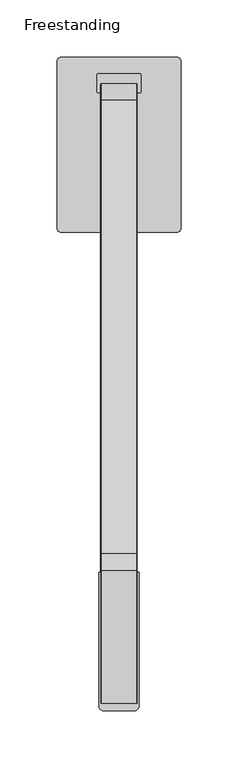
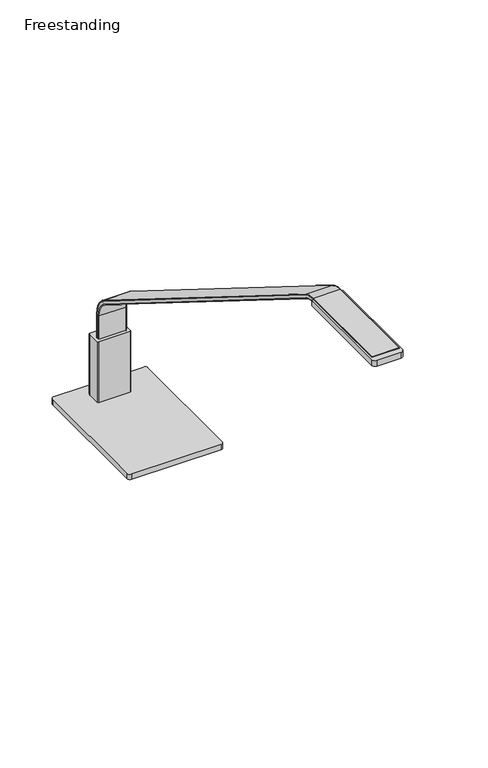
"""IFC4 building model written with IfcOpenShell, lengths in millimetres: furniture geometry, Freestanding."""

from ifc_helpers import new_model, si_unit, point, frame, frame_2d, origin, place, context, project, spatial, polyline, circle_curve, ellipse_curve, trimmed, segment, composite_curve, outline, extrude, source, transform, mapped, element, save
from ifc_brep_helpers import plane_surface, cylinder_surface, revolved_surface, advanced_brep


def freestanding_bb0d4ba0(model_context):
    return source(origin(), model_context, "Body", "SolidModel", [
        extrude(outline(composite_curve([segment(trimmed(circle_curve(frame_2d((-41.2113861, 31.553418)), 6.35), [point((-47.5613861, 31.553418))], [point((-34.8613861, 31.553418))], False, "CARTESIAN"), True, "CONTINUOUS"), segment(trimmed(circle_curve(frame_2d((-41.2113861, 31.553418)), 6.35), [point((-34.8613861, 31.553418))], [point((-47.5613861, 31.553418))], False, "CARTESIAN"), True, "CONTINUOUS")], self_intersect=False)), frame((0.0, 0.0, 711.2), z_axis=(0.0, 0.0, 1.0), x_axis=(1.0, 0.0, 0.0)), (0.0, 0.0, 1.0), 4.7497828),
        extrude(outline(composite_curve([segment(trimmed(circle_curve(frame_2d((41.2113861, 31.553418)), 6.35), [point((47.5613861, 31.553418))], [point((34.8613861, 31.553418))], False, "CARTESIAN"), True, "CONTINUOUS"), segment(trimmed(circle_curve(frame_2d((41.2113861, 31.553418)), 6.35), [point((34.8613861, 31.553418))], [point((47.5613861, 31.553418))], False, "CARTESIAN"), True, "CONTINUOUS")], self_intersect=False)), frame((0.0, 0.0, 711.2), z_axis=(0.0, 0.0, 1.0), x_axis=(1.0, 0.0, 0.0)), (0.0, 0.0, 1.0), 4.7497828),
        extrude(outline(composite_curve([segment(trimmed(circle_curve(frame_2d((-41.2113861, -94.7478165)), 6.35), [point((-47.5613861, -94.7478165))], [point((-34.8613861, -94.7478165))], False, "CARTESIAN"), True, "CONTINUOUS"), segment(trimmed(circle_curve(frame_2d((-41.2113861, -94.7478165)), 6.35), [point((-34.8613861, -94.7478165))], [point((-47.5613861, -94.7478165))], False, "CARTESIAN"), True, "CONTINUOUS")], self_intersect=False)), frame((0.0, 0.0, 711.2), z_axis=(0.0, 0.0, 1.0), x_axis=(1.0, 0.0, 0.0)), (0.0, 0.0, 1.0), 4.7497828),
        extrude(outline(composite_curve([segment(trimmed(circle_curve(frame_2d((41.2113861, -94.7478165)), 6.35), [point((47.5613861, -94.7478165))], [point((34.8613861, -94.7478165))], False, "CARTESIAN"), True, "CONTINUOUS"), segment(trimmed(circle_curve(frame_2d((41.2113861, -94.7478165)), 6.35), [point((34.8613861, -94.7478165))], [point((47.5613861, -94.7478165))], False, "CARTESIAN"), True, "CONTINUOUS")], self_intersect=False)), frame((0.0, 0.0, 711.2), z_axis=(0.0, 0.0, 1.0), x_axis=(1.0, 0.0, 0.0)), (0.0, 0.0, 1.0), 4.7497828),
        extrude(outline(composite_curve([segment(polyline([(-53.9751938, -104.6222477), (-53.9751938, 41.4278492)]), True, "CONTINUOUS"), segment(trimmed(circle_curve(frame_2d((-50.8000969, 41.4278492)), 3.1750969), [point((-53.9751938, 41.4278492))], [point((-50.8000969, 44.6029461))], False, "CARTESIAN"), True, "CONTINUOUS"), segment(polyline([(-50.8000969, 44.6029461), (50.7995155, 44.6029461)]), True, "CONTINUOUS"), segment(trimmed(circle_curve(frame_2d((50.7995155, 41.4278492)), 3.1750969), [point((50.7995155, 44.6029461))], [point((53.9746124, 41.4278492))], False, "CARTESIAN"), True, "CONTINUOUS"), segment(polyline([(53.9746124, 41.4278492), (53.9746124, -104.6222477)]), True, "CONTINUOUS"), segment(trimmed(circle_curve(frame_2d((50.7998062, -104.6222477)), 3.1748062), [point((53.9746124, -104.6222477))], [point((50.7998062, -107.7970539))], False, "CARTESIAN"), True, "CONTINUOUS"), segment(polyline([(50.7998062, -107.7970539), (-50.8003876, -107.7970539)]), True, "CONTINUOUS"), segment(trimmed(circle_curve(frame_2d((-50.8003876, -104.6222477)), 3.1748062), [point((-50.8003876, -107.7970539))], [point((-53.9751938, -104.6222477))], False, "CARTESIAN"), True, "CONTINUOUS")], self_intersect=False)), frame((0.0, 0.0, 715.9497828), z_axis=(0.0, 0.0, 1.0), x_axis=(1.0, 0.0, 0.0)), (0.0, 0.0, 1.0), 6.3500484),
        extrude(outline(composite_curve([segment(trimmed(circle_curve(frame_2d((18.034, 29.4391905)), 1.016), [point((18.034, 30.4551905))], [point((19.05, 29.4391905))], False, "CARTESIAN"), True, "CONTINUOUS"), segment(polyline([(19.05, 29.4391905), (19.05, 14.5802157)]), True, "CONTINUOUS"), segment(trimmed(circle_curve(frame_2d((18.034, 14.5802157)), 1.016), [point((19.05, 14.5802157))], [point((18.034, 13.5642157))], False, "CARTESIAN"), True, "CONTINUOUS"), segment(polyline([(18.034, 13.5642157), (-18.034, 13.5642157)]), True, "CONTINUOUS"), segment(trimmed(circle_curve(frame_2d((-18.034, 14.5802157)), 1.016), [point((-18.034, 13.5642157))], [point((-19.05, 14.5802157))], False, "CARTESIAN"), True, "CONTINUOUS"), segment(polyline([(-19.05, 14.5802157), (-19.05, 29.4391905)]), True, "CONTINUOUS"), segment(trimmed(circle_curve(frame_2d((-18.034, 29.4391905)), 1.016), [point((-19.05, 29.4391905))], [point((-18.034, 30.4551905))], False, "CARTESIAN"), True, "CONTINUOUS"), segment(polyline([(-18.034, 30.4551905), (18.034, 30.4551905)]), True, "CONTINUOUS")], self_intersect=False)), frame((0.0, 0.0, 722.2998312), z_axis=(0.0, 0.0, 1.0), x_axis=(1.0, 0.0, 0.0)), (0.0, 0.0, 1.0), 73.0249688),
        extrude(outline(composite_curve([segment(polyline([(17.4750961, -404.6055359), (17.4750961, -521.4455359)]), True, "CONTINUOUS"), segment(trimmed(circle_curve(frame_2d((13.6650961, -521.4455359)), 3.81), [point((17.4750961, -521.4455359))], [point((13.6650961, -525.2555359))], False, "CARTESIAN"), True, "CONTINUOUS"), segment(polyline([(13.6650961, -525.2555359), (-13.6525, -525.2555359)]), True, "CONTINUOUS"), segment(trimmed(circle_curve(frame_2d((-13.6525, -521.4455359)), 3.81), [point((-13.6525, -525.2555359))], [point((-17.4625, -521.4455359))], False, "CARTESIAN"), True, "CONTINUOUS"), segment(polyline([(-17.4625, -521.4455359), (-17.4625, -404.6055359), (17.4750961, -404.6055359)]), True, "CONTINUOUS")], self_intersect=False)), frame((0.0, 0.0, 1091.6666), z_axis=(0.0, 0.0, 1.0), x_axis=(1.0, 0.0, 0.0)), (0.0, 0.0, 1.0), 6.858),
        advanced_brep(
        [(-15.113, 21.5349501, 685.7240386), (15.113, 21.5349501, 685.7240386), (15.875, 20.7729501, 685.7240386), (15.875, 17.7249181, 685.7240386), (15.113, 16.9629181, 685.7240386), (-15.113, 16.9629181, 685.7240386), (-15.875, 17.7249181, 685.7240386), (-15.875, 20.7729501, 685.7240386), (-15.113, 21.5349501, 823.3409729), (15.113, 21.5349501, 823.3409729), (15.8749998, 20.7734392, 823.3409729), (15.875, 17.7249181, 823.3409729), (15.113, 16.9629181, 823.3409729), (-15.113, 16.9629181, 823.3409729), (-15.875, 17.7250276, 823.3409729), (-15.875, 20.7729501, 823.3409729), (15.113, 7.462795, 847.9735198), (-15.113, 7.462795, 847.9735198), (15.875, 7.0663158, 847.3227908), (15.113, 5.0839032, 844.0691185), (15.875, 5.4803824, 844.7198475), (-15.113, 5.0839032, 844.0691185), (-15.875, 5.4803824, 844.7198475), (-15.875, 7.0663158, 847.3227908), (-15.113, -387.9101641, 1095.0303139), (15.113, -387.9101641, 1095.0303139), (15.8749996, -388.3135603, 1094.3847451), (15.875, -389.9291735, 1091.7992236), (15.113, -390.332972, 1091.1530109), (-15.113, -390.332972, 1091.1530109), (-15.875, -389.929084, 1091.7993669), (-15.875, -388.3139626, 1094.3841013), (15.113, -403.0064861, 1099.41249), (-15.113, -403.0064861, 1099.41249), (15.875, -403.025238, 1098.6507207), (15.875, -403.1002467, 1095.6036119), (15.875, -518.8549576, 1098.6518746), (15.875, -518.8549576, 1095.6038426), (15.113, -403.1189987, 1094.8418426), (-15.113, -403.1189987, 1094.8418426), (-15.875, -403.1002467, 1095.6036119), (-15.875, -403.025238, 1098.6507207), (-15.875, -518.8549576, 1095.6038426), (-15.875, -518.8549576, 1098.6518746), (-15.113, -518.8549576, 1099.4138746), (-15.113, -518.8549576, 1094.8418426), (15.113, -518.8549576, 1094.8418426), (15.113, -518.8549576, 1099.4138746)],
        [
            (0, 1),
            (1, 2, circle_curve(frame((15.113, 20.7729501, 685.7240386), z_axis=(0.0, 0.0, -1.0), x_axis=(0.0, -1.0, 0.0)), 0.762)),
            (2, 3),
            (3, 4, circle_curve(frame((15.113, 17.7249181, 685.7240386), z_axis=(0.0, 0.0, -1.0), x_axis=(0.0, -1.0, 0.0)), 0.762)),
            (4, 5),
            (5, 6, circle_curve(frame((-15.113, 17.7249181, 685.7240386), z_axis=(0.0, 0.0, -1.0), x_axis=(0.0, -1.0, 0.0)), 0.762)),
            (6, 7),
            (7, 0, circle_curve(frame((-15.113, 20.7729501, 685.7240386), z_axis=(0.0, 0.0, -1.0), x_axis=(0.0, -1.0, 0.0)), 0.762)),
            (0, 8),
            (8, 9),
            (9, 1),
            (9, 10, circle_curve(frame((15.113, 20.7729501, 823.3409729), z_axis=(0.0, 0.0, -1.0), x_axis=(0.0, -1.0, 0.0)), 0.762)),
            (10, 2),
            (3, 11),
            (11, 12, circle_curve(frame((15.113, 17.7249181, 823.3409729), z_axis=(0.0, 0.0, -1.0), x_axis=(0.0, -1.0, 0.0)), 0.762)),
            (12, 4),
            (12, 13),
            (13, 5),
            (13, 14, circle_curve(frame((-15.113, 17.7249181, 823.3409729), z_axis=(0.0, 0.0, -1.0), x_axis=(0.0, -1.0, 0.0)), 0.762)),
            (14, 6),
            (7, 15),
            (15, 8, circle_curve(frame((-15.113, 20.7729501, 823.3409729), z_axis=(0.0, 0.0, -1.0), x_axis=(0.0, -1.0, 0.0)), 0.762)),
            (16, 9, circle_curve(frame((15.113, -7.8052046, 822.9146255), z_axis=(-1.0, 0.0, 0.0), x_axis=(0.0, 0.9998518796973476, 0.01721100420314434)), 29.3438238)),
            (8, 17, circle_curve(frame((-15.113, -7.8052046, 822.9146255), z_axis=(1.0, 0.0, 0.0), x_axis=(0.0, 0.9998518796973476, 0.01721100420314434)), 29.3438238)),
            (17, 16),
            (18, 10, circle_curve(frame((15.875, -7.8052046, 822.9146255), z_axis=(-1.0, 0.0, 0.0), x_axis=(0.0, 0.9998518796973476, 0.01721100420314434)), 28.5818238)),
            (16, 18, circle_curve(frame((15.113, 7.0663158, 847.3227908), z_axis=(0.0, 0.853975082280152, -0.5203139041430737), x_axis=(0.0, -0.5203139041430737, -0.853975082280152)), 0.762)),
            (19, 12, circle_curve(frame((15.113, -7.8052046, 822.9146255), z_axis=(-1.0, 0.0, 0.0), x_axis=(0.0, 0.9998518796973476, 0.01721100420314434)), 24.7717919)),
            (11, 20, circle_curve(frame((15.875, -7.8052046, 822.9146255), z_axis=(1.0, 0.0, 0.0), x_axis=(0.0, 0.9998518796973476, 0.01721100420314434)), 25.5337919)),
            (20, 19, circle_curve(frame((15.113, 5.4803824, 844.7198475), z_axis=(0.0, 0.8539750822801534, -0.5203139041430713), x_axis=(0.0, -0.5203139041430713, -0.8539750822801534)), 0.762)),
            (21, 13, circle_curve(frame((-15.113, -7.8052046, 822.9146255), z_axis=(-1.0, 0.0, 0.0), x_axis=(0.0, 0.9998518796973476, 0.01721100420314434)), 24.7717919)),
            (19, 21),
            (22, 14, circle_curve(frame((-15.875, -7.8052046, 822.9146255), z_axis=(-1.0, 0.0, 0.0), x_axis=(0.0, 0.9998518796973476, 0.01721100420314434)), 25.5337919)),
            (21, 22, circle_curve(frame((-15.113, 5.4803824, 844.7198475), z_axis=(0.0, 0.8539750822801534, -0.5203139041430713), x_axis=(0.0, -0.5203139041430713, -0.8539750822801534)), 0.762)),
            (15, 23, circle_curve(frame((-15.875, -7.8052046, 822.9146255), z_axis=(1.0, 0.0, 0.0), x_axis=(0.0, 0.9998518796973476, 0.01721100420314434)), 28.5818238)),
            (23, 17, circle_curve(frame((-15.113, 7.0663158, 847.3227908), z_axis=(0.0, 0.8539750822801508, -0.5203139041430753), x_axis=(0.0, -0.5203139041430753, -0.8539750822801508)), 0.762)),
            (17, 24),
            (24, 25),
            (25, 16),
            (25, 26, circle_curve(frame((15.113, -388.3139626, 1094.3841013), z_axis=(0.0, 0.8480480904042981, -0.5299192734385338), x_axis=(0.0, -0.5299192734385338, -0.8480480904042981)), 0.762)),
            (26, 18),
            (20, 27),
            (27, 28, circle_curve(frame((15.113, -389.9291735, 1091.7992236), z_axis=(0.0, 0.8480480904042981, -0.5299192734385338), x_axis=(0.0, -0.5299192734385338, -0.8480480904042981)), 0.762)),
            (28, 19),
            (28, 29),
            (29, 21),
            (29, 30, circle_curve(frame((-15.113, -389.9291735, 1091.7992236), z_axis=(0.0, 0.8480480904042981, -0.5299192734385338), x_axis=(0.0, -0.5299192734385338, -0.8480480904042981)), 0.762)),
            (30, 22),
            (23, 31),
            (31, 24, circle_curve(frame((-15.113, -388.3139626, 1094.3841013), z_axis=(0.0, 0.8480480904042981, -0.5299192734385338), x_axis=(0.0, -0.5299192734385338, -0.8480480904042981)), 0.762)),
            (32, 25, circle_curve(frame((15.113, -403.7649971, 1068.5991892), z_axis=(-1.0, 0.0, 0.0), x_axis=(0.0, 0.5116844334825991, 0.8591734635867146)), 30.8226353)),
            (24, 33, circle_curve(frame((-15.113, -403.7649971, 1068.5991892), z_axis=(1.0, 0.0, 0.0), x_axis=(0.0, 0.5116844334825991, 0.8591734635867146)), 30.8226353)),
            (33, 32),
            (34, 26, circle_curve(frame((15.875, -403.7649971, 1068.5991892), z_axis=(-1.0, 0.0, 0.0), x_axis=(0.0, 0.5116844334825991, 0.8591734635867146)), 30.0606353)),
            (32, 34, circle_curve(frame((15.113, -403.025238, 1098.6507207), z_axis=(0.0, 0.9996971552757794, -0.024608895414348686), x_axis=(0.0, -0.024608895414348686, -0.9996971552757794)), 0.762)),
            (35, 27, circle_curve(frame((15.875, -403.7649971, 1068.5991892), z_axis=(-1.0, 0.0, 0.0), x_axis=(0.0, 0.5116844334825991, 0.8591734635867146)), 27.0126033)),
            (34, 36),
            (36, 37),
            (37, 35),
            (38, 28, circle_curve(frame((15.113, -403.7649971, 1068.5991892), z_axis=(-1.0, 0.0, 0.0), x_axis=(0.0, 0.5116844334825991, 0.8591734635867146)), 26.2506033)),
            (35, 38, circle_curve(frame((15.113, -403.1002467, 1095.6036119), z_axis=(0.0, 0.9996971552757794, -0.024608895414349352), x_axis=(0.0, -0.024608895414349352, -0.9996971552757794)), 0.762)),
            (39, 29, circle_curve(frame((-15.113, -403.7649971, 1068.5991892), z_axis=(-1.0, 0.0, 0.0), x_axis=(0.0, 0.5116844334825991, 0.8591734635867146)), 26.2506033)),
            (38, 39),
            (40, 30, circle_curve(frame((-15.875, -403.7649971, 1068.5991892), z_axis=(-1.0, 0.0, 0.0), x_axis=(0.0, 0.5116844334825991, 0.8591734635867146)), 27.0126033)),
            (39, 40, circle_curve(frame((-15.113, -403.1002467, 1095.6036119), z_axis=(0.0, 0.9996971552757794, -0.024608895414349352), x_axis=(0.0, -0.024608895414349352, -0.9996971552757794)), 0.762)),
            (41, 31, circle_curve(frame((-15.875, -403.7649971, 1068.5991892), z_axis=(-1.0, 0.0, 0.0), x_axis=(0.0, 0.5116844334825991, 0.8591734635867146)), 30.0606353)),
            (40, 42),
            (42, 43),
            (43, 41),
            (41, 33, circle_curve(frame((-15.113, -403.025238, 1098.6507207), z_axis=(0.0, 0.9996971552757793, -0.024608895414350795), x_axis=(0.0, -0.024608895414350795, -0.9996971552757793)), 0.762)),
            (44, 43, circle_curve(frame((-15.113, -518.8549576, 1098.6518746), z_axis=(0.0, -1.0, 0.0), x_axis=(0.0, 0.0, -1.0)), 0.762)),
            (42, 45, circle_curve(frame((-15.113, -518.8549576, 1095.6038426), z_axis=(0.0, -1.0, 0.0), x_axis=(0.0, 0.0, -1.0)), 0.762)),
            (45, 46),
            (46, 37, circle_curve(frame((15.113, -518.8549576, 1095.6038426), z_axis=(0.0, -1.0, 0.0), x_axis=(0.0, 0.0, -1.0)), 0.762)),
            (36, 47, circle_curve(frame((15.113, -518.8549576, 1098.6518746), z_axis=(0.0, -1.0, 0.0), x_axis=(0.0, 0.0, -1.0)), 0.762)),
            (47, 44),
            (33, 44),
            (47, 32),
            (46, 38),
            (45, 39),
        ],
        [
            plane_surface(frame((0.0, 16.9629181, 685.7240386), z_axis=(0.0, 0.0, -1.0), x_axis=(1.0, 0.0, 0.0))),
            plane_surface(frame((-15.113, 21.5349501, 685.7240386), z_axis=(0.0, 1.0, 0.0), x_axis=(0.0, 0.0, 1.0))),
            cylinder_surface(frame((15.113, 20.7729501, 685.7240386), z_axis=(0.0, 0.0, -1.0), x_axis=(0.0, -1.0, 0.0)), 0.762),
            cylinder_surface(frame((15.113, 17.7249181, 685.7240386), z_axis=(0.0, 0.0, -1.0), x_axis=(0.0, -1.0, 0.0)), 0.762),
            plane_surface(frame((15.113, 16.9629181, 685.7240386), z_axis=(0.0, -1.0, 0.0), x_axis=(0.0, 0.0, 1.0))),
            cylinder_surface(frame((-15.113, 17.7249181, 685.7240386), z_axis=(0.0, 0.0, -1.0), x_axis=(0.0, -1.0, 0.0)), 0.762),
            cylinder_surface(frame((-15.113, 20.7729501, 685.7240386), z_axis=(0.0, 0.0, -1.0), x_axis=(0.0, -1.0, 0.0)), 0.762),
            cylinder_surface(frame((0.0, -7.8052046, 822.9146255), z_axis=(1.0, 0.0, 0.0), x_axis=(0.0, 0.9998518796973476, 0.01721100420314434)), 29.3438238),
            revolved_surface(trimmed(ellipse_curve(frame((15.113, 20.7723857, 823.4065473), z_axis=(0.0, 0.017211004203144354, -0.9998518796973476), x_axis=(0.0, -0.9998518796973476, -0.017211004203144354)), 0.762, 0.762), [point((15.113, 21.5342729, 823.4196621))], [point((15.875, 20.7723857, 823.4065473))], True, "CARTESIAN"), (0.0, -7.8052046, 822.9146255), (1.0, 0.0, 0.0)),
            revolved_surface(trimmed(ellipse_curve(frame((15.113, 17.7248052, 823.3540877), z_axis=(0.0, 0.017211004203144354, -0.9998518796973476), x_axis=(0.0, -0.9998518796973476, -0.017211004203144354)), 0.762, 0.762), [point((15.875, 17.7248052, 823.3540877))], [point((15.113, 16.9629181, 823.3409729))], True, "CARTESIAN"), (0.0, -7.8052046, 822.9146255), (1.0, 0.0, 0.0)),
            revolved_surface(polyline([(15.113, 16.96291809468653, 823.3409729145104), (-15.113, 16.96291809468653, 823.3409729145104)]), (0.0, -7.8052046, 822.9146255), (1.0, 0.0, 0.0)),
            revolved_surface(trimmed(ellipse_curve(frame((-15.113, 17.7248052, 823.3540877), z_axis=(0.0, 0.017211004203144354, -0.9998518796973476), x_axis=(0.0, -0.9998518796973476, -0.017211004203144354)), 0.762, 0.762), [point((-15.113, 16.9629181, 823.3409729))], [point((-15.875, 17.7248052, 823.3540877))], True, "CARTESIAN"), (0.0, -7.8052046, 822.9146255), (1.0, 0.0, 0.0)),
            revolved_surface(trimmed(ellipse_curve(frame((-15.113, 20.7723857, 823.4065473), z_axis=(0.0, 0.017211004203144354, -0.9998518796973476), x_axis=(0.0, -0.9998518796973476, -0.017211004203144354)), 0.762, 0.762), [point((-15.875, 20.7723857, 823.4065473))], [point((-15.113, 21.5342729, 823.4196621))], True, "CARTESIAN"), (0.0, -7.8052046, 822.9146255), (1.0, 0.0, 0.0)),
            plane_surface(frame((-15.113, 7.4629465, 847.9737685), z_axis=(0.0, 0.5299192734385338, 0.848048090404298), x_axis=(0.0, -0.848048090404298, 0.5299192734385338))),
            cylinder_surface(frame((15.113, 7.1029125, 847.3002088), z_axis=(0.0, 0.8480480904042981, -0.5299192734385338), x_axis=(0.0, -0.5299192734385338, -0.8480480904042981)), 0.762),
            cylinder_surface(frame((15.113, 5.4877017, 844.7153311), z_axis=(0.0, 0.8480480904042981, -0.5299192734385338), x_axis=(0.0, -0.5299192734385338, -0.8480480904042981)), 0.762),
            plane_surface(frame((15.113, 5.0839032, 844.0691185), z_axis=(0.0, -0.5299192734385337, -0.8480480904042981), x_axis=(0.0, -0.8480480904042981, 0.5299192734385337))),
            cylinder_surface(frame((-15.113, 5.4877017, 844.7153311), z_axis=(0.0, 0.8480480904042981, -0.5299192734385338), x_axis=(0.0, -0.5299192734385338, -0.8480480904042981)), 0.762),
            cylinder_surface(frame((-15.113, 7.1029125, 847.3002088), z_axis=(0.0, 0.8480480904042981, -0.5299192734385338), x_axis=(0.0, -0.5299192734385338, -0.8480480904042981)), 0.762),
            cylinder_surface(frame((0.0, -403.7649971, 1068.5991892), z_axis=(1.0, 0.0, 0.0), x_axis=(0.0, 0.5116844334825991, 0.8591734635867146)), 30.8226353),
            revolved_surface(trimmed(ellipse_curve(frame((15.113, -388.3834379, 1094.4264893), z_axis=(0.0, 0.8591734635867146, -0.5116844334825991), x_axis=(0.0, -0.5116844334825991, -0.8591734635867146)), 0.762, 0.762), [point((15.113, -387.9935344, 1095.0811795))], [point((15.875, -388.3834379, 1094.4264893))], True, "CARTESIAN"), (0.0, -403.7649971, 1068.5991892), (1.0, 0.0, 0.0)),
            plane_surface(frame((15.875, -403.7649971, 1068.5991892), z_axis=(1.0, 0.0, 0.0), x_axis=(0.0, 0.5116844334825991, 0.8591734635867146))),
            revolved_surface(trimmed(ellipse_curve(frame((15.113, -389.9430685, 1091.8077011), z_axis=(0.0, 0.8591734635867146, -0.5116844334825991), x_axis=(0.0, -0.5116844334825991, -0.8591734635867146)), 0.762, 0.762), [point((15.875, -389.9430685, 1091.8077011))], [point((15.113, -390.332972, 1091.1530109))], True, "CARTESIAN"), (0.0, -403.7649971, 1068.5991892), (1.0, 0.0, 0.0)),
            revolved_surface(polyline([(15.113, -390.33297202186304, 1091.153010958502), (-15.113, -390.33297202186304, 1091.153010958502)]), (0.0, -403.7649971, 1068.5991892), (1.0, 0.0, 0.0)),
            revolved_surface(trimmed(ellipse_curve(frame((-15.113, -389.9430685, 1091.8077011), z_axis=(0.0, 0.8591734635867146, -0.5116844334825991), x_axis=(0.0, -0.5116844334825991, -0.8591734635867146)), 0.762, 0.762), [point((-15.113, -390.332972, 1091.1530109))], [point((-15.875, -389.9430685, 1091.8077011))], True, "CARTESIAN"), (0.0, -403.7649971, 1068.5991892), (1.0, 0.0, 0.0)),
            plane_surface(frame((-15.875, -403.7649971, 1068.5991892), z_axis=(-1.0, 0.0, 0.0), x_axis=(0.0, 0.5116844334825991, 0.8591734635867146))),
            revolved_surface(trimmed(ellipse_curve(frame((-15.113, -388.3834379, 1094.4264893), z_axis=(0.0, 0.8591734635867146, -0.5116844334825991), x_axis=(0.0, -0.5116844334825991, -0.8591734635867146)), 0.762, 0.762), [point((-15.875, -388.3834379, 1094.4264893))], [point((-15.113, -387.9935344, 1095.0811795))], True, "CARTESIAN"), (0.0, -403.7649971, 1068.5991892), (1.0, 0.0, 0.0)),
            plane_surface(frame((0.0, -518.8549576, 1094.8418426), z_axis=(0.0, -1.0, 0.0), x_axis=(1.0, 0.0, 0.0))),
            plane_surface(frame((-15.113, -403.006452, 1099.4138746), z_axis=(0.0, 0.0, 1.0), x_axis=(0.0, -1.0, 0.0))),
            cylinder_surface(frame((15.113, -403.1189987, 1098.6518746), z_axis=(0.0, 1.0, 0.0), x_axis=(0.0, 0.0, -1.0)), 0.762),
            cylinder_surface(frame((15.113, -403.1189987, 1095.6038426), z_axis=(0.0, 1.0, 0.0), x_axis=(0.0, 0.0, -1.0)), 0.762),
            plane_surface(frame((15.113, -403.1189987, 1094.8418426), z_axis=(0.0, 0.0, -1.0), x_axis=(0.0, -1.0, 0.0))),
            cylinder_surface(frame((-15.113, -403.1189987, 1095.6038426), z_axis=(0.0, 1.0, 0.0), x_axis=(0.0, 0.0, -1.0)), 0.762),
            cylinder_surface(frame((-15.113, -403.1189987, 1098.6518746), z_axis=(0.0, 1.0, 0.0), x_axis=(0.0, 0.0, -1.0)), 0.762),
        ],
        [
            (0, [[1, 2, 3, 4, 5, 6, 7, 8]]),
            (1, [[-1, 9, 10, 11]]),
            (2, [[-2, -11, 12, 13]]),
            (3, [[-4, 14, 15, 16]]),
            (4, [[-5, -16, 17, 18]]),
            (5, [[-6, -18, 19, 20]]),
            (6, [[-8, 21, 22, -9]]),
            (7, [[23, -10, 24, 25]]),
            (8, [[26, -12, -23, 27]]),
            (9, [[28, -15, 29, 30]]),
            (10, [[31, -17, -28, 32]]),
            (11, [[33, -19, -31, 34]]),
            (12, [[-24, -22, 35, 36]]),
            (13, [[-25, 37, 38, 39]]),
            (14, [[-27, -39, 40, 41]]),
            (15, [[-30, 42, 43, 44]]),
            (16, [[-32, -44, 45, 46]]),
            (17, [[-34, -46, 47, 48]]),
            (18, [[-36, 49, 50, -37]]),
            (19, [[51, -38, 52, 53]]),
            (20, [[54, -40, -51, 55]]),
            (21, [[56, -42, -29, -14, -3, -13, -26, -41, -54, 57, 58, 59]]),
            (22, [[60, -43, -56, 61]]),
            (23, [[62, -45, -60, 63]]),
            (24, [[64, -47, -62, 65]]),
            (25, [[66, -49, -35, -21, -7, -20, -33, -48, -64, 67, 68, 69]]),
            (26, [[-52, -50, -66, 70]]),
            (27, [[71, -68, 72, 73, 74, -58, 75, 76]]),
            (28, [[-53, 77, -76, 78]]),
            (29, [[-55, -78, -75, -57]]),
            (30, [[-61, -59, -74, 79]]),
            (31, [[-63, -79, -73, 80]]),
            (32, [[-65, -80, -72, -67]]),
            (33, [[-70, -69, -71, -77]]),
        ],
    ),
    ])


if __name__ == "__main__":
    model = new_model("IFC4")
    model_context = context("Model", 3, world=origin())
    ifc_project = project(units=[si_unit("LENGTHUNIT", "METRE", prefix="MILLI")], contexts=[model_context])
    site = spatial("IfcSite", under=ifc_project)
    building = spatial("IfcBuilding", under=site)
    placement = place(None, origin())
    freestanding_shape = freestanding_bb0d4ba0(model_context)
    element("IfcFurniture", 1, ObjectType="Freestanding", at=placement, inside=building, context=model_context, shape_type="MappedRepresentation", body=[
        mapped(freestanding_shape, transform((0.0, 0.0, 0.0), x_axis=(1.0, 0.0, 0.0), y_axis=(0.0, 1.0, 0.0), z_axis=(0.0, 0.0, 1.0))),
    ])
    save(model, "model.ifc")
